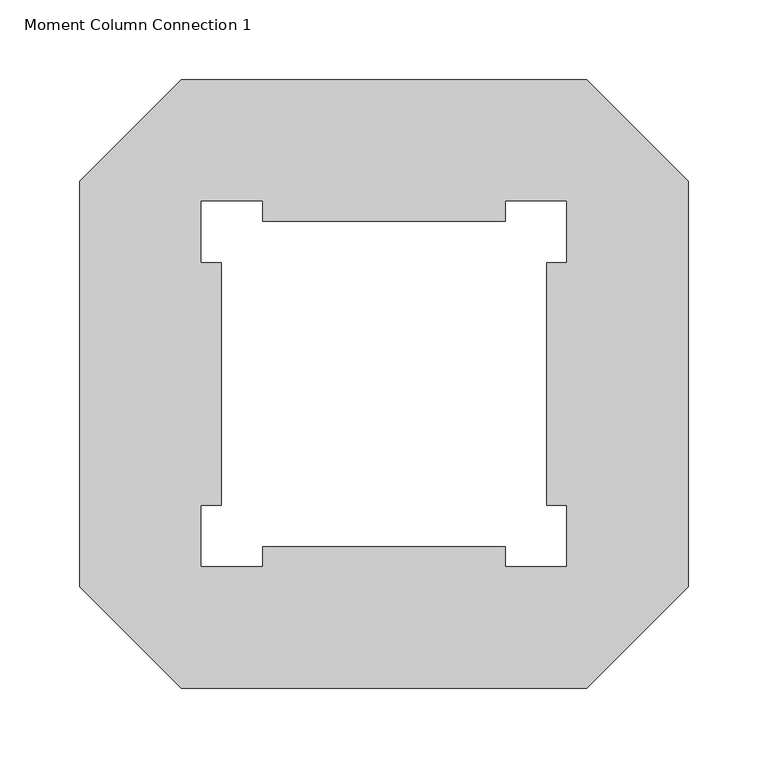
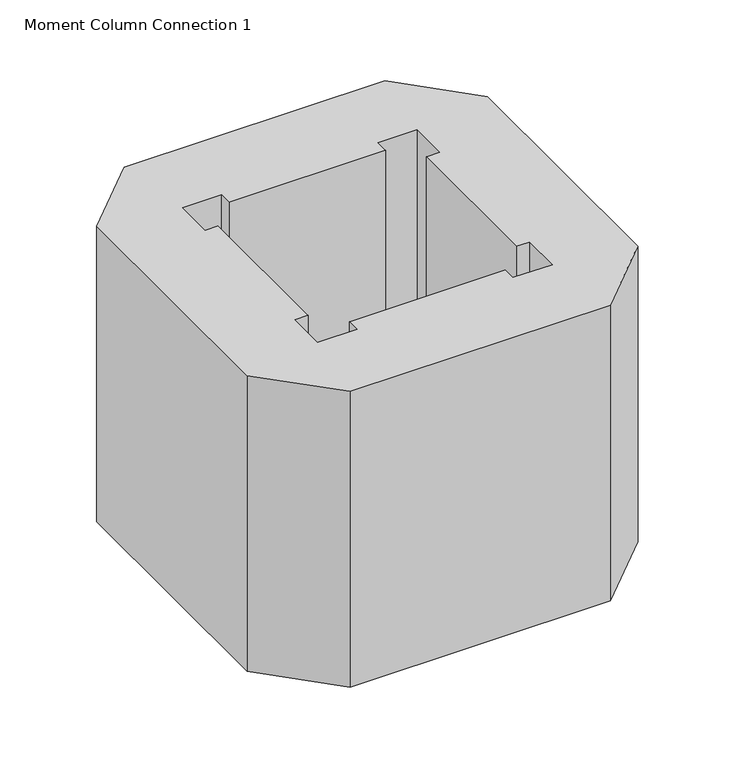
"""IFC4 building model written with IfcOpenShell, lengths in millimetres: column geometry, Moment Column Connection 1."""

from ifc_helpers import new_model, si_unit, frame, origin, place, context, project, spatial, polyline, outline, extrude, source, transform, mapped, element, save


def moment_column_connection_1_3ddfec1a(model_context):
    return source(origin(), model_context, "Body", "SweptSolid", [
        extrude(outline(polyline([(190.5, 127.0), (190.5, -127.0), (127.0, -190.5), (-127.0, -190.5), (-190.5, -127.0), (-190.5, 127.0), (-127.0, 190.5), (127.0, 190.5), (190.5, 127.0)]), holes=[polyline([(-76.2, 114.3), (-114.3, 114.3), (-114.3, 76.2), (-101.6, 76.2), (-101.6, -76.2), (-114.3, -76.2), (-114.3, -114.3), (-76.2, -114.3), (-76.2, -101.6), (76.2, -101.6), (76.2, -114.3), (114.3, -114.3), (114.3, -76.2), (101.6, -76.2), (101.6, 76.2), (114.3, 76.2), (114.3, 114.3), (76.2, 114.3), (76.2, 101.6), (-76.2, 101.6), (-76.2, 114.3)])]), frame((0.0, 0.0, 2743.2), z_axis=(0.0, 0.0, 1.0), x_axis=(1.0, 0.0, 0.0)), (0.0, 0.0, 1.0), 304.8),
    ])


if __name__ == "__main__":
    model = new_model("IFC4")
    model_context = context("Model", 3, world=origin())
    ifc_project = project(units=[si_unit("LENGTHUNIT", "METRE", prefix="MILLI")], contexts=[model_context])
    site = spatial("IfcSite", under=ifc_project)
    building = spatial("IfcBuilding", under=site)
    placement = place(None, origin())
    moment_column_connection_1_shape = moment_column_connection_1_3ddfec1a(model_context)
    element("IfcColumn", 1, ObjectType="Moment Column Connection 1", at=placement, inside=building, context=model_context, shape_type="MappedRepresentation", body=[
        mapped(moment_column_connection_1_shape, transform((0.0, 0.0, 0.0), x_axis=(1.0, 0.0, 0.0), y_axis=(0.0, 1.0, 0.0), z_axis=(0.0, 0.0, 1.0))),
    ])
    save(model, "model.ifc")
